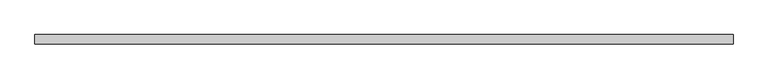
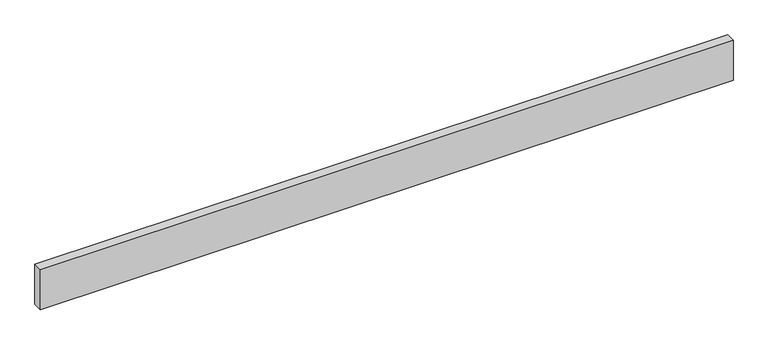
"""IFC4 building model written with IfcOpenShell, lengths in millimetres: beam geometry."""

from ifc_helpers import new_model, si_unit, frame, origin, place, context, project, spatial, polyline, outline, extrude, source, transform, mapped, element, save


def beam_c6b4a700(model_context):
    return source(origin(), model_context, "Body", "SweptSolid", [
        extrude(outline(polyline([(-1642.0, 22.5), (1642.0, 22.5), (1642.0, -22.5), (-1642.0, -22.5), (-1642.0, 22.5)])), frame((0.0, 0.0, -100.0), z_axis=(0.0, 0.0, 1.0), x_axis=(1.0, 0.0, 0.0)), (0.0, 0.0, 1.0), 200.0),
    ])


if __name__ == "__main__":
    model = new_model("IFC4")
    model_context = context("Model", 3, world=origin())
    ifc_project = project(units=[si_unit("LENGTHUNIT", "METRE", prefix="MILLI")], contexts=[model_context])
    site = spatial("IfcSite", under=ifc_project)
    building = spatial("IfcBuilding", under=site)
    placement = place(None, origin())
    beam_shape = beam_c6b4a700(model_context)
    element("IfcBeam", 1, at=placement, inside=building, context=model_context, shape_type="MappedRepresentation", body=[
        mapped(beam_shape, transform((0.0, 0.0, 0.0), x_axis=(1.0, 0.0, 0.0), y_axis=(0.0, 1.0, 0.0), z_axis=(0.0, 0.0, 1.0))),
    ])
    save(model, "model.ifc")
